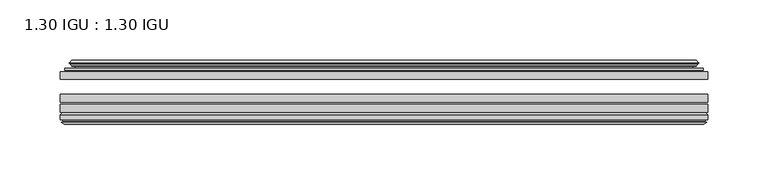
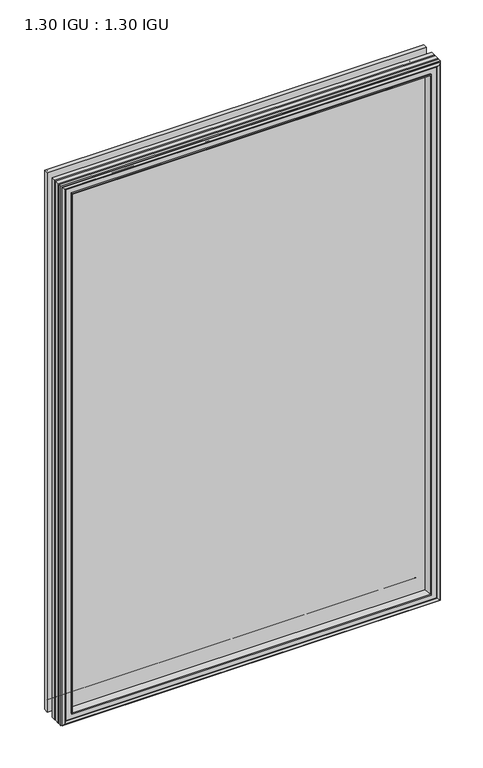
"""IFC4 building model written with IfcOpenShell, lengths in millimetres: plate geometry, 1.30 IGU : 1.30 IGU."""

from ifc_helpers import new_model, si_unit, frame, origin, place, context, project, spatial, polyline, ellipse_curve, outline, extrude, faceted_brep, source, transform, mapped, element, save
from ifc_brep_helpers import plane_surface, cylinder_surface, revolved_surface, advanced_brep


def plate_1_30_igu_1_30_igu_d7aa97c9(model_context):
    return source(origin(), model_context, "Body", "SolidModel", [
        extrude(outline(polyline([(268.2205532, -44.92625), (268.2205532, -51.27625), (-268.2875, -51.27625), (-268.2875, -44.92625), (268.2205532, -44.92625)])), frame((0.0, 0.0, -14.2875), z_axis=(0.0, 0.0, 1.0), x_axis=(1.0, 0.0, 0.0)), (0.0, 0.0, 1.0), 806.45),
        extrude(outline(polyline([(-268.2875, -78.58125), (-268.2875, -72.23125), (268.2205532, -72.23125), (268.2205532, -78.58125), (-268.2875, -78.58125)])), frame((0.0, 0.0, -14.2875), z_axis=(0.0, 0.0, 1.0), x_axis=(1.0, 0.0, 0.0)), (0.0, 0.0, 1.0), 806.45),
        extrude(outline(polyline([(-268.2875, -70.32625), (-268.2875, -63.97625), (268.2205532, -63.97625), (268.2205532, -70.32625), (-268.2875, -70.32625)])), frame((0.0, 0.0, -14.2875), z_axis=(0.0, 0.0, 1.0), x_axis=(1.0, 0.0, 0.0)), (0.0, 0.0, 1.0), 806.45),
        advanced_brep(
        [(-249.9522902, -43.8351483, 773.8272902), (-250.3941004, -44.92625, 774.2691004), (-250.3941004, -44.92625, 3.6058996), (-249.9522902, -43.8351483, 4.0477098), (-254.0, -36.11245, 777.875), (-254.0, -36.11245, 0.0), (-259.1859109, -37.2935491, 783.0609109), (-259.1859109, -37.2935491, -5.1859109), (-258.8563356, -36.4664324, 782.7313356), (-258.8563356, -36.4664324, -4.8563356), (-258.8563356, -35.6521812, 782.7313356), (-258.8563356, -35.6521812, -4.8563356), (-260.6726111, -37.610817, 784.5476111), (-260.6726111, -37.610817, -6.6726111), (-260.6726111, -38.3239429, 784.5476111), (-260.6726111, -38.3239429, -6.6726111), (-258.8563356, -40.2727974, 782.7313356), (-258.8563356, -40.2727974, -4.8563356), (-258.8563356, -39.4683275, 782.7313356), (-258.8563356, -39.4683275, -4.8563356), (-259.1782501, -38.6604367, 783.0532501), (-259.1782501, -38.6604367, -5.1782501), (-256.6544379, -38.502045, 780.5294379), (-256.6544379, -38.502045, -2.6544379), (-255.6286217, -39.1897544, 779.5036217), (-255.6286217, -39.1897544, -1.6286217), (-255.7470288, -40.5842231, 779.6220288), (-255.7470288, -40.5842231, -1.7470288), (-256.3487748, -42.08145, 780.2237748), (-256.3487748, -42.08145, -2.3487748), (-264.2745553, -43.9898729, 788.1495553), (-263.7889245, -42.08145, 787.6639245), (-263.7889245, -42.08145, -9.7889245), (-264.2745553, -43.9898729, -10.2745553), (-262.5538155, -44.92625, 786.4288155), (-262.5538155, -44.92625, -8.5538155), (250.3941004, -44.92625, 3.6058996), (249.9522902, -43.8351483, 4.0477098), (254.0, -36.11245, 0.0), (259.1859109, -37.2935491, -5.1859109), (258.8563356, -36.4664324, -4.8563356), (258.8563356, -35.6521812, -4.8563356), (260.6726111, -37.610817, -6.6726111), (260.6726111, -38.3239429, -6.6726111), (258.8563356, -40.2727974, -4.8563356), (258.8563356, -39.4683275, -4.8563356), (259.1782501, -38.6604367, -5.1782501), (256.6544379, -38.502045, -2.6544379), (255.6286217, -39.1897544, -1.6286217), (255.7470288, -40.5842231, -1.7470288), (256.3487748, -42.08145, -2.3487748), (263.7889245, -42.08145, -9.7889245), (264.2745553, -43.9898729, -10.2745553), (262.5538155, -44.92625, -8.5538155), (250.3941004, -44.92625, 774.2691004), (249.9522902, -43.8351483, 773.8272902), (254.0, -36.11245, 777.875), (259.1859109, -37.2935491, 783.0609109), (258.8563356, -36.4664324, 782.7313356), (258.8563356, -35.6521812, 782.7313356), (260.6726111, -37.610817, 784.5476111), (260.6726111, -38.3239429, 784.5476111), (258.8563356, -40.2727974, 782.7313356), (258.8563356, -39.4683275, 782.7313356), (259.1782501, -38.6604367, 783.0532501), (256.6544379, -38.502045, 780.5294379), (255.6286217, -39.1897544, 779.5036217), (255.7470288, -40.5842231, 779.6220288), (256.3487748, -42.08145, 780.2237748), (263.7889245, -42.08145, 787.6639245), (264.2745553, -43.9898729, 788.1495553), (262.5538155, -44.92625, 786.4288155)],
        [
            (0, 1, ellipse_curve(frame((-250.3941004, -44.29125, 774.2691004), z_axis=(-0.7071067811865475, 0.0, -0.7071067811865475), x_axis=(-0.7071067811865474, 0.0, 0.7071067811865476)), 0.8980256, 0.635)),
            (1, 2),
            (2, 3, ellipse_curve(frame((-250.3941004, -44.29125, 3.6058996), z_axis=(-0.7071067811865475, 0.0, 0.7071067811865475), x_axis=(0.7071067811865474, 0.0, 0.7071067811865476)), 0.8980256, 0.635)),
            (3, 0),
            (4, 0, ellipse_curve(frame((-240.2672054, -33.8367745, 764.1422054), z_axis=(0.7071067811865475, 0.0, 0.7071067811865475), x_axis=(0.7071067811865474, 0.0, -0.7071067811865476)), 19.6859517, 13.9200699)),
            (3, 5, ellipse_curve(frame((-240.2672054, -33.8367745, 13.7327946), z_axis=(0.7071067811865475, 0.0, -0.7071067811865475), x_axis=(-0.7071067811865474, 0.0, -0.7071067811865476)), 19.6859517, 13.9200699)),
            (5, 4),
            (6, 4),
            (5, 7),
            (7, 6),
            (8, 6),
            (7, 9),
            (9, 8),
            (10, 8),
            (9, 11),
            (11, 10),
            (12, 10),
            (11, 13),
            (13, 12),
            (14, 12, ellipse_curve(frame((-260.3107729, -37.96738, 784.1857729), z_axis=(-0.7071067811865475, 0.0, -0.7071067811865475), x_axis=(-0.7071067811865474, 0.0, 0.7071067811865476)), 0.7184205, 0.508)),
            (13, 15, ellipse_curve(frame((-260.3107729, -37.96738, -6.3107729), z_axis=(-0.7071067811865475, 0.0, 0.7071067811865475), x_axis=(0.7071067811865474, 0.0, 0.7071067811865476)), 0.7184205, 0.508)),
            (15, 14),
            (16, 14),
            (15, 17),
            (17, 16),
            (18, 16),
            (17, 19),
            (19, 18),
            (20, 18),
            (19, 21),
            (21, 20),
            (22, 20),
            (21, 23),
            (23, 22),
            (24, 22, ellipse_curve(frame((-256.5908, -39.51605, 780.4658), z_axis=(0.7071067811865475, 0.0, 0.7071067811865475), x_axis=(0.7071067811865474, 0.0, -0.7071067811865476)), 1.436841, 1.016)),
            (23, 25, ellipse_curve(frame((-256.5908, -39.51605, -2.5908), z_axis=(0.7071067811865475, 0.0, -0.7071067811865475), x_axis=(-0.7071067811865474, 0.0, -0.7071067811865476)), 1.436841, 1.016)),
            (25, 24),
            (26, 24, ellipse_curve(frame((-257.9624, -39.69385, 781.8374), z_axis=(0.7071067811865475, 0.0, 0.7071067811865475), x_axis=(0.7071067811865474, 0.0, -0.7071067811865476)), 3.3765763, 2.3876)),
            (25, 27, ellipse_curve(frame((-257.9624, -39.69385, -3.9624), z_axis=(0.7071067811865475, 0.0, -0.7071067811865475), x_axis=(-0.7071067811865474, 0.0, -0.7071067811865476)), 3.3765763, 2.3876)),
            (27, 26),
            (28, 26),
            (27, 29),
            (29, 28),
            (30, 31, ellipse_curve(frame((-263.7889245, -43.09745, 787.6639245), z_axis=(-0.7071067811865475, 0.0, -0.7071067811865475), x_axis=(-0.7071067811865474, 0.0, 0.7071067811865476)), 1.436841, 1.016)),
            (31, 32),
            (32, 33, ellipse_curve(frame((-263.7889245, -43.09745, -9.7889245), z_axis=(-0.7071067811865475, 0.0, 0.7071067811865475), x_axis=(0.7071067811865474, 0.0, 0.7071067811865476)), 1.436841, 1.016)),
            (33, 30),
            (34, 30),
            (33, 35),
            (35, 34),
            (2, 36),
            (36, 37, ellipse_curve(frame((250.3941004, -44.29125, 3.6058996), z_axis=(-0.7071067811865475, 0.0, -0.7071067811865475), x_axis=(-0.7071067811865476, 0.0, 0.7071067811865474)), 0.8980256, 0.635)),
            (37, 3),
            (37, 38, ellipse_curve(frame((240.2672054, -33.8367745, 13.7327946), z_axis=(0.7071067811865475, 0.0, 0.7071067811865475), x_axis=(0.7071067811865476, 0.0, -0.7071067811865474)), 19.6859517, 13.9200699)),
            (38, 5),
            (38, 39),
            (39, 7),
            (39, 40),
            (40, 9),
            (40, 41),
            (41, 11),
            (41, 42),
            (42, 13),
            (42, 43, ellipse_curve(frame((260.3107729, -37.96738, -6.3107729), z_axis=(-0.7071067811865475, 0.0, -0.7071067811865475), x_axis=(-0.7071067811865476, 0.0, 0.7071067811865474)), 0.7184205, 0.508)),
            (43, 15),
            (43, 44),
            (44, 17),
            (44, 45),
            (45, 19),
            (45, 46),
            (46, 21),
            (46, 47),
            (47, 23),
            (47, 48, ellipse_curve(frame((256.5908, -39.51605, -2.5908), z_axis=(0.7071067811865475, 0.0, 0.7071067811865475), x_axis=(0.7071067811865476, 0.0, -0.7071067811865474)), 1.436841, 1.016)),
            (48, 25),
            (48, 49, ellipse_curve(frame((257.9624, -39.69385, -3.9624), z_axis=(0.7071067811865475, 0.0, 0.7071067811865475), x_axis=(0.7071067811865476, 0.0, -0.7071067811865474)), 3.3765763, 2.3876)),
            (49, 27),
            (49, 50),
            (50, 29),
            (32, 51),
            (51, 52, ellipse_curve(frame((263.7889245, -43.09745, -9.7889245), z_axis=(-0.7071067811865475, 0.0, -0.7071067811865475), x_axis=(-0.7071067811865476, 0.0, 0.7071067811865474)), 1.436841, 1.016)),
            (52, 33),
            (52, 53),
            (53, 35),
            (36, 54),
            (54, 55, ellipse_curve(frame((250.3941004, -44.29125, 774.2691004), z_axis=(0.7071067811865475, 0.0, -0.7071067811865475), x_axis=(-0.7071067811865474, 0.0, -0.7071067811865476)), 0.8980256, 0.635)),
            (55, 37),
            (55, 56, ellipse_curve(frame((240.2672054, -33.8367745, 764.1422054), z_axis=(-0.7071067811865475, 0.0, 0.7071067811865475), x_axis=(0.7071067811865474, 0.0, 0.7071067811865476)), 19.6859517, 13.9200699)),
            (56, 38),
            (56, 57),
            (57, 39),
            (57, 58),
            (58, 40),
            (58, 59),
            (59, 41),
            (59, 60),
            (60, 42),
            (60, 61, ellipse_curve(frame((260.3107729, -37.96738, 784.1857729), z_axis=(0.7071067811865475, 0.0, -0.7071067811865475), x_axis=(-0.7071067811865474, 0.0, -0.7071067811865476)), 0.7184205, 0.508)),
            (61, 43),
            (61, 62),
            (62, 44),
            (62, 63),
            (63, 45),
            (63, 64),
            (64, 46),
            (64, 65),
            (65, 47),
            (65, 66, ellipse_curve(frame((256.5908, -39.51605, 780.4658), z_axis=(-0.7071067811865475, 0.0, 0.7071067811865475), x_axis=(0.7071067811865474, 0.0, 0.7071067811865476)), 1.436841, 1.016)),
            (66, 48),
            (66, 67, ellipse_curve(frame((257.9624, -39.69385, 781.8374), z_axis=(-0.7071067811865475, 0.0, 0.7071067811865475), x_axis=(0.7071067811865474, 0.0, 0.7071067811865476)), 3.3765763, 2.3876)),
            (67, 49),
            (67, 68),
            (68, 50),
            (51, 69),
            (69, 70, ellipse_curve(frame((263.7889245, -43.09745, 787.6639245), z_axis=(0.7071067811865475, 0.0, -0.7071067811865475), x_axis=(-0.7071067811865474, 0.0, -0.7071067811865476)), 1.436841, 1.016)),
            (70, 52),
            (70, 71),
            (71, 53),
            (54, 1),
            (0, 55),
            (4, 56),
            (6, 57),
            (8, 58),
            (10, 59),
            (12, 60),
            (14, 61),
            (16, 62),
            (18, 63),
            (20, 64),
            (22, 65),
            (24, 66),
            (26, 67),
            (28, 68),
            (31, 69),
            (30, 70),
            (34, 71),
        ],
        [
            cylinder_surface(frame((-250.3941004, -44.29125, 809.625), z_axis=(0.0, 0.0, 1.0), x_axis=(-1.0, 0.0, 0.0)), 0.635),
            revolved_surface(polyline([(-254.18727529999998, -33.8367745, -0.18727534118079348), (-254.18727529999998, -33.8367745, 778.0622753411808)]), (-240.2672054, -33.8367745, 809.625), (0.0, 0.0, -1.0)),
            plane_surface(frame((-254.0, -36.11245, 777.875), z_axis=(-0.22206498442778655, 0.975031867525922, 0.0), x_axis=(0.0, 0.0, -1.0))),
            plane_surface(frame((-259.1859109, -37.2935491, 783.0609109), z_axis=(0.9289682685629922, -0.3701593656833182, 0.0), x_axis=(0.0, 0.0, -1.0))),
            plane_surface(frame((-258.8563356, -36.4664324, 782.7313356), z_axis=(1.0, 0.0, 0.0), x_axis=(0.0, 0.0, -1.0))),
            plane_surface(frame((-258.8563356, -35.6521812, 782.7313356), z_axis=(-0.7332521292723956, 0.6799568478348448, 0.0), x_axis=(0.0, 0.0, -1.0))),
            cylinder_surface(frame((-260.3107729, -37.96738, 809.625), z_axis=(0.0, 0.0, 1.0), x_axis=(-1.0, 0.0, 0.0)), 0.508),
            plane_surface(frame((-260.6726111, -38.3239429, 784.5476111), z_axis=(-0.7315522693036389, -0.6817853601220082, 0.0), x_axis=(0.0, 0.0, -1.0))),
            plane_surface(frame((-258.8563356, -40.2727974, 782.7313356), z_axis=(1.0, 0.0, 0.0), x_axis=(0.0, 0.0, -1.0))),
            plane_surface(frame((-258.8563356, -39.4683275, 782.7313356), z_axis=(0.9289682685631103, 0.37015936568302166, 0.0), x_axis=(0.0, 0.0, -1.0))),
            plane_surface(frame((-259.1782501, -38.6604367, 783.0532501), z_axis=(0.06263570119321643, -0.9980364567169048, 0.0), x_axis=(0.0, 0.0, -1.0))),
            revolved_surface(polyline([(-257.6068, -39.51605, -3.606800014586838), (-257.6068, -39.51605, 781.4818000145868)]), (-256.5908, -39.51605, 809.625), (0.0, 0.0, -1.0)),
            revolved_surface(polyline([(-260.35, -39.69385, -6.3499999989237494), (-260.35, -39.69385, 784.2249999989237)]), (-257.9624, -39.69385, 809.625), (0.0, 0.0, -1.0)),
            plane_surface(frame((-255.7470288, -40.5842231, 779.6220288), z_axis=(-0.9278652925428912, 0.372915538553028, 0.0), x_axis=(0.0, 0.0, -1.0))),
            cylinder_surface(frame((-263.7889245, -43.09745, 809.625), z_axis=(0.0, 0.0, 1.0), x_axis=(-1.0, 0.0, 0.0)), 1.016),
            plane_surface(frame((-264.2745553, -43.9898729, 788.1495553), z_axis=(-0.477983117370979, -0.8783690223979446, 0.0), x_axis=(0.0, 0.0, -1.0))),
            cylinder_surface(frame((-285.75, -44.29125, 3.6058996), z_axis=(-1.0, 0.0, 0.0), x_axis=(0.0, 0.0, -1.0)), 0.635),
            revolved_surface(polyline([(254.1872753411808, -33.8367745, -0.1872752999999996), (-254.18727534118085, -33.8367745, -0.1872752999999996)]), (-285.75, -33.8367745, 13.7327946), (1.0, 0.0, 0.0)),
            plane_surface(frame((-254.0, -36.11245, 0.0), z_axis=(0.0, 0.9750318675259212, -0.2220649844277897), x_axis=(1.0, 0.0, 0.0))),
            plane_surface(frame((-259.1859109, -37.2935491, -5.1859109), z_axis=(0.0, -0.3701593656833152, 0.9289682685629934), x_axis=(1.0, 0.0, 0.0))),
            plane_surface(frame((-258.8563356, -36.4664324, -4.8563356), z_axis=(0.0, 0.0, 1.0), x_axis=(1.0, 0.0, 0.0))),
            plane_surface(frame((-258.8563356, -35.6521812, -4.8563356), z_axis=(0.0, 0.6799568478348423, -0.7332521292723978), x_axis=(1.0, 0.0, 0.0))),
            cylinder_surface(frame((-285.75, -37.96738, -6.3107729), z_axis=(-1.0, 0.0, 0.0), x_axis=(0.0, 0.0, -1.0)), 0.508),
            plane_surface(frame((-260.6726111, -38.3239429, -6.6726111), z_axis=(0.0, -0.6817853601220105, -0.7315522693036367), x_axis=(1.0, 0.0, 0.0))),
            plane_surface(frame((-258.8563356, -40.2727974, -4.8563356), z_axis=(0.0, 0.0, 1.0), x_axis=(1.0, 0.0, 0.0))),
            plane_surface(frame((-258.8563356, -39.4683275, -4.8563356), z_axis=(0.0, 0.37015936568302465, 0.9289682685631091), x_axis=(1.0, 0.0, 0.0))),
            plane_surface(frame((-259.1782501, -38.6604367, -5.1782501), z_axis=(0.0, -0.9980364567169046, 0.06263570119321968), x_axis=(1.0, 0.0, 0.0))),
            revolved_surface(polyline([(257.60680001458684, -39.51605, -3.6068000000000002), (-257.60680001458684, -39.51605, -3.6068000000000002)]), (-285.75, -39.51605, -2.5908), (1.0, 0.0, 0.0)),
            revolved_surface(polyline([(260.34999999892375, -39.69385, -6.35), (-260.3499999989238, -39.69385, -6.35)]), (-285.75, -39.69385, -3.9624), (1.0, 0.0, 0.0)),
            plane_surface(frame((-255.7470288, -40.5842231, -1.7470288), z_axis=(0.0, 0.372915538553025, -0.9278652925428924), x_axis=(1.0, 0.0, 0.0))),
            cylinder_surface(frame((-285.75, -43.09745, -9.7889245), z_axis=(-1.0, 0.0, 0.0), x_axis=(0.0, 0.0, -1.0)), 1.016),
            plane_surface(frame((-264.2745553, -43.9898729, -10.2745553), z_axis=(0.0, -0.8783690223979462, -0.47798311737097615), x_axis=(1.0, 0.0, 0.0))),
            cylinder_surface(frame((250.3941004, -44.29125, -31.75), z_axis=(0.0, 0.0, -1.0), x_axis=(1.0, 0.0, 0.0)), 0.635),
            revolved_surface(polyline([(254.18727529999998, -33.8367745, 778.0622753411808), (254.18727529999998, -33.8367745, -0.1872753411808432)]), (240.2672054, -33.8367745, -31.75), (0.0, 0.0, 1.0)),
            plane_surface(frame((254.0, -36.11245, 0.0), z_axis=(0.2220649844277929, 0.9750318675259205, 0.0), x_axis=(0.0, 0.0, 1.0))),
            plane_surface(frame((259.1859109, -37.2935491, -5.1859109), z_axis=(-0.9289682685629946, -0.3701593656833122, 0.0), x_axis=(0.0, 0.0, 1.0))),
            plane_surface(frame((258.8563356, -36.4664324, -4.8563356), z_axis=(-1.0, 0.0, 0.0), x_axis=(0.0, 0.0, 1.0))),
            plane_surface(frame((258.8563356, -35.6521812, -4.8563356), z_axis=(0.7332521292724, 0.6799568478348399, 0.0), x_axis=(0.0, 0.0, 1.0))),
            cylinder_surface(frame((260.3107729, -37.96738, -31.75), z_axis=(0.0, 0.0, -1.0), x_axis=(1.0, 0.0, 0.0)), 0.508),
            plane_surface(frame((260.6726111, -38.3239429, -6.6726111), z_axis=(0.7315522693036345, -0.6817853601220129, 0.0), x_axis=(0.0, 0.0, 1.0))),
            plane_surface(frame((258.8563356, -40.2727974, -4.8563356), z_axis=(-1.0, 0.0, 0.0), x_axis=(0.0, 0.0, 1.0))),
            plane_surface(frame((258.8563356, -39.4683275, -4.8563356), z_axis=(-0.928968268563108, 0.3701593656830277, 0.0), x_axis=(0.0, 0.0, 1.0))),
            plane_surface(frame((259.1782501, -38.6604367, -5.1782501), z_axis=(-0.06263570119322293, -0.9980364567169043, 0.0), x_axis=(0.0, 0.0, 1.0))),
            revolved_surface(polyline([(257.6068, -39.51605, 781.4818000145868), (257.6068, -39.51605, -3.606800014586863)]), (256.5908, -39.51605, -31.75), (0.0, 0.0, 1.0)),
            revolved_surface(polyline([(260.35, -39.69385, 784.2249999989237), (260.35, -39.69385, -6.349999998923781)]), (257.9624, -39.69385, -31.75), (0.0, 0.0, 1.0)),
            plane_surface(frame((255.7470288, -40.5842231, -1.7470288), z_axis=(0.9278652925428936, 0.372915538553022, 0.0), x_axis=(0.0, 0.0, 1.0))),
            cylinder_surface(frame((263.7889245, -43.09745, -31.75), z_axis=(0.0, 0.0, -1.0), x_axis=(1.0, 0.0, 0.0)), 1.016),
            plane_surface(frame((264.2745553, -43.9898729, -10.2745553), z_axis=(0.47798311737097327, -0.8783690223979478, 0.0), x_axis=(0.0, 0.0, 1.0))),
            cylinder_surface(frame((285.75, -44.29125, 774.2691004), z_axis=(1.0, 0.0, 0.0), x_axis=(0.0, 0.0, 1.0)), 0.635),
            revolved_surface(polyline([(-254.1872753411808, -33.8367745, 778.0622753), (254.18727534118085, -33.8367745, 778.0622753)]), (285.75, -33.8367745, 764.1422054), (-1.0, 0.0, 0.0)),
            plane_surface(frame((254.0, -36.11245, 777.875), z_axis=(0.0, 0.9750318675259213, 0.22206498442778974), x_axis=(-1.0, 0.0, 0.0))),
            plane_surface(frame((259.1859109, -37.2935491, 783.0609109), z_axis=(0.0, -0.3701593656833152, -0.9289682685629934), x_axis=(-1.0, 0.0, 0.0))),
            plane_surface(frame((258.8563356, -36.4664324, 782.7313356), z_axis=(0.0, 0.0, -1.0), x_axis=(-1.0, 0.0, 0.0))),
            plane_surface(frame((258.8563356, -35.6521812, 782.7313356), z_axis=(0.0, 0.6799568478348423, 0.7332521292723978), x_axis=(-1.0, 0.0, 0.0))),
            cylinder_surface(frame((285.75, -37.96738, 784.1857729), z_axis=(1.0, 0.0, 0.0), x_axis=(0.0, 0.0, 1.0)), 0.508),
            plane_surface(frame((260.6726111, -38.3239429, 784.5476111), z_axis=(0.0, -0.6817853601220105, 0.7315522693036367), x_axis=(-1.0, 0.0, 0.0))),
            plane_surface(frame((258.8563356, -40.2727974, 782.7313356), z_axis=(0.0, 0.0, -1.0), x_axis=(-1.0, 0.0, 0.0))),
            plane_surface(frame((258.8563356, -39.4683275, 782.7313356), z_axis=(0.0, 0.3701593656830247, -0.9289682685631092), x_axis=(-1.0, 0.0, 0.0))),
            plane_surface(frame((259.1782501, -38.6604367, 783.0532501), z_axis=(0.0, -0.9980364567169046, -0.06263570119321968), x_axis=(-1.0, 0.0, 0.0))),
            revolved_surface(polyline([(-257.60680001458684, -39.51605, 781.4817999999999), (257.60680001458684, -39.51605, 781.4817999999999)]), (285.75, -39.51605, 780.4658), (-1.0, 0.0, 0.0)),
            revolved_surface(polyline([(-260.34999999892375, -39.69385, 784.225), (260.3499999989238, -39.69385, 784.225)]), (285.75, -39.69385, 781.8374), (-1.0, 0.0, 0.0)),
            plane_surface(frame((255.7470288, -40.5842231, 779.6220288), z_axis=(0.0, 0.372915538553025, 0.9278652925428924), x_axis=(-1.0, 0.0, 0.0))),
            plane_surface(frame((256.3487748, -42.08145, 780.2237748), z_axis=(0.0, 1.0, 0.0), x_axis=(-1.0, 0.0, 0.0))),
            cylinder_surface(frame((285.75, -43.09745, 787.6639245), z_axis=(1.0, 0.0, 0.0), x_axis=(0.0, 0.0, 1.0)), 1.016),
            plane_surface(frame((264.2745553, -43.9898729, 788.1495553), z_axis=(0.0, -0.8783690223979462, 0.47798311737097615), x_axis=(-1.0, 0.0, 0.0))),
            plane_surface(frame((262.5538155, -44.92625, 786.4288155), z_axis=(0.0, -1.0, 0.0), x_axis=(-1.0, 0.0, 0.0))),
        ],
        [
            (0, [[1, 2, 3, 4]]),
            (1, [[5, -4, 6, 7]]),
            (2, [[8, -7, 9, 10]]),
            (3, [[11, -10, 12, 13]]),
            (4, [[14, -13, 15, 16]]),
            (5, [[17, -16, 18, 19]]),
            (6, [[20, -19, 21, 22]]),
            (7, [[23, -22, 24, 25]]),
            (8, [[26, -25, 27, 28]]),
            (9, [[29, -28, 30, 31]]),
            (10, [[32, -31, 33, 34]]),
            (11, [[35, -34, 36, 37]]),
            (12, [[38, -37, 39, 40]]),
            (13, [[41, -40, 42, 43]]),
            (14, [[44, 45, 46, 47]]),
            (15, [[48, -47, 49, 50]]),
            (16, [[-3, 51, 52, 53]]),
            (17, [[-6, -53, 54, 55]]),
            (18, [[-9, -55, 56, 57]]),
            (19, [[-12, -57, 58, 59]]),
            (20, [[-15, -59, 60, 61]]),
            (21, [[-18, -61, 62, 63]]),
            (22, [[-21, -63, 64, 65]]),
            (23, [[-24, -65, 66, 67]]),
            (24, [[-27, -67, 68, 69]]),
            (25, [[-30, -69, 70, 71]]),
            (26, [[-33, -71, 72, 73]]),
            (27, [[-36, -73, 74, 75]]),
            (28, [[-39, -75, 76, 77]]),
            (29, [[-42, -77, 78, 79]]),
            (30, [[-46, 80, 81, 82]]),
            (31, [[-49, -82, 83, 84]]),
            (32, [[-52, 85, 86, 87]]),
            (33, [[-54, -87, 88, 89]]),
            (34, [[-56, -89, 90, 91]]),
            (35, [[-58, -91, 92, 93]]),
            (36, [[-60, -93, 94, 95]]),
            (37, [[-62, -95, 96, 97]]),
            (38, [[-64, -97, 98, 99]]),
            (39, [[-66, -99, 100, 101]]),
            (40, [[-68, -101, 102, 103]]),
            (41, [[-70, -103, 104, 105]]),
            (42, [[-72, -105, 106, 107]]),
            (43, [[-74, -107, 108, 109]]),
            (44, [[-76, -109, 110, 111]]),
            (45, [[-78, -111, 112, 113]]),
            (46, [[-81, 114, 115, 116]]),
            (47, [[-83, -116, 117, 118]]),
            (48, [[-86, 119, -1, 120]]),
            (49, [[-88, -120, -5, 121]]),
            (50, [[-90, -121, -8, 122]]),
            (51, [[-92, -122, -11, 123]]),
            (52, [[-94, -123, -14, 124]]),
            (53, [[-96, -124, -17, 125]]),
            (54, [[-98, -125, -20, 126]]),
            (55, [[-100, -126, -23, 127]]),
            (56, [[-102, -127, -26, 128]]),
            (57, [[-104, -128, -29, 129]]),
            (58, [[-106, -129, -32, 130]]),
            (59, [[-108, -130, -35, 131]]),
            (60, [[-110, -131, -38, 132]]),
            (61, [[-112, -132, -41, 133]]),
            (62, [[134, -114, -80, -45], [-79, -113, -133, -43]]),
            (63, [[-115, -134, -44, 135]]),
            (64, [[-117, -135, -48, 136]]),
            (65, [[-84, -118, -136, -50], [-119, -85, -51, -2]]),
        ],
    ),
        faceted_brep([(-250.1457827, -78.58125, 774.0207827), (-252.7120798, -87.47125, 776.5870798), (-252.7120798, -87.47125, 1.2879202), (-250.1457827, -78.58125, 3.8542173), (-268.3002, -80.7883102, 792.1752), (-266.0931398, -78.58125, 789.9681398), (-266.0931398, -78.58125, -12.0931398), (-268.3002, -80.7883102, -14.3002), (-268.3002, -84.93125, 792.1752), (-268.3002, -84.93125, -14.3002), (-265.8811775, -86.11489, 789.7561775), (-266.7203682, -84.93125, 790.5953682), (-266.7203682, -84.93125, -12.7203682), (-265.8811775, -86.11489, -11.8811775), (-265.684, -87.4125884, 789.559), (-265.684, -87.4125884, -11.684), (-266.65966, -86.8828917, 790.53466), (-266.65966, -86.8828917, -12.65966), (-265.1252, -88.6999663, 789.0002), (-267.4523305, -86.8828917, 791.3273305), (-267.4523305, -86.8828917, -13.4523305), (-265.1252, -88.6999663, -11.1252), (-262.7980695, -86.8828917, 786.6730695), (-262.7980695, -86.8828917, -8.7980695), (-264.5664, -87.4125884, 788.4414), (-263.59074, -86.8828917, 787.46574), (-263.59074, -86.8828917, -9.59074), (-264.5664, -87.4125884, -10.5664), (-264.3692225, -86.11489, 788.2442225), (-264.3692225, -86.11489, -10.3692225), (-263.4996, -84.93125, 787.3746), (-263.4996, -84.93125, -9.4996), (-254.3513667, -87.47125, 778.2263667), (-253.8222, -84.93125, 777.6972), (-253.8222, -84.93125, 0.1778), (-254.3513667, -87.47125, -0.3513667), (252.7120798, -87.47125, 1.2879202), (250.1457827, -78.58125, 3.8542173), (266.0931398, -78.58125, -12.0931398), (268.3002, -80.7883102, -14.3002), (268.3002, -84.93125, -14.3002), (266.7203682, -84.93125, -12.7203682), (265.8811775, -86.11489, -11.8811775), (265.684, -87.4125884, -11.684), (266.65966, -86.8828917, -12.65966), (267.4523305, -86.8828917, -13.4523305), (265.1252, -88.6999663, -11.1252), (262.7980695, -86.8828917, -8.7980695), (263.59074, -86.8828917, -9.59074), (264.5664, -87.4125884, -10.5664), (264.3692225, -86.11489, -10.3692225), (263.4996, -84.93125, -9.4996), (253.8222, -84.93125, 0.1778), (254.3513667, -87.47125, -0.3513667), (252.7120798, -87.47125, 776.5870798), (250.1457827, -78.58125, 774.0207827), (266.0931398, -78.58125, 789.9681398), (268.3002, -80.7883102, 792.1752), (268.3002, -84.93125, 792.1752), (266.7203682, -84.93125, 790.5953682), (265.8811775, -86.11489, 789.7561775), (265.684, -87.4125884, 789.559), (266.65966, -86.8828917, 790.53466), (267.4523305, -86.8828917, 791.3273305), (265.1252, -88.6999663, 789.0002), (262.7980695, -86.8828917, 786.6730695), (263.59074, -86.8828917, 787.46574), (264.5664, -87.4125884, 788.4414), (264.3692225, -86.11489, 788.2442225), (263.4996, -84.93125, 787.3746), (253.8222, -84.93125, 777.6972), (254.3513667, -87.47125, 778.2263667)], [[[0, 1, 2, 3]], [[4, 5, 6, 7]], [[8, 4, 7, 9]], [[10, 11, 12, 13]], [[14, 10, 13, 15]], [[16, 14, 15, 17]], [[18, 19, 20, 21]], [[22, 18, 21, 23]], [[24, 25, 26, 27]], [[28, 24, 27, 29]], [[30, 28, 29, 31]], [[32, 33, 34, 35]], [[3, 2, 36, 37]], [[7, 6, 38, 39]], [[9, 7, 39, 40]], [[13, 12, 41, 42]], [[15, 13, 42, 43]], [[17, 15, 43, 44]], [[21, 20, 45, 46]], [[23, 21, 46, 47]], [[27, 26, 48, 49]], [[29, 27, 49, 50]], [[31, 29, 50, 51]], [[35, 34, 52, 53]], [[37, 36, 54, 55]], [[39, 38, 56, 57]], [[40, 39, 57, 58]], [[42, 41, 59, 60]], [[43, 42, 60, 61]], [[44, 43, 61, 62]], [[46, 45, 63, 64]], [[47, 46, 64, 65]], [[49, 48, 66, 67]], [[50, 49, 67, 68]], [[51, 50, 68, 69]], [[53, 52, 70, 71]], [[55, 54, 1, 0]], [[5, 56, 38, 6], [3, 37, 55, 0]], [[57, 56, 5, 4]], [[58, 57, 4, 8]], [[9, 40, 58, 8], [11, 59, 41, 12]], [[60, 59, 11, 10]], [[61, 60, 10, 14]], [[62, 61, 14, 16]], [[19, 63, 45, 20], [17, 44, 62, 16]], [[64, 63, 19, 18]], [[65, 64, 18, 22]], [[25, 66, 48, 26], [23, 47, 65, 22]], [[67, 66, 25, 24]], [[68, 67, 24, 28]], [[69, 68, 28, 30]], [[31, 51, 69, 30], [33, 70, 52, 34]], [[71, 70, 33, 32]], [[35, 53, 71, 32], [1, 54, 36, 2]]]),
    ])


if __name__ == "__main__":
    model = new_model("IFC4")
    model_context = context("Model", 3, world=origin())
    ifc_project = project(units=[si_unit("LENGTHUNIT", "METRE", prefix="MILLI")], contexts=[model_context])
    site = spatial("IfcSite", under=ifc_project)
    building = spatial("IfcBuilding", under=site)
    placement = place(None, origin())
    plate_1_30_igu_1_30_igu_shape = plate_1_30_igu_1_30_igu_d7aa97c9(model_context)
    element("IfcPlate", 1, ObjectType="1.30 IGU : 1.30 IGU", at=placement, inside=building, context=model_context, shape_type="MappedRepresentation", body=[
        mapped(plate_1_30_igu_1_30_igu_shape, transform((0.0, 0.0, 0.0), x_axis=(1.0, 0.0, 0.0), y_axis=(0.0, 1.0, 0.0), z_axis=(0.0, 0.0, 1.0))),
    ])
    save(model, "model.ifc")
